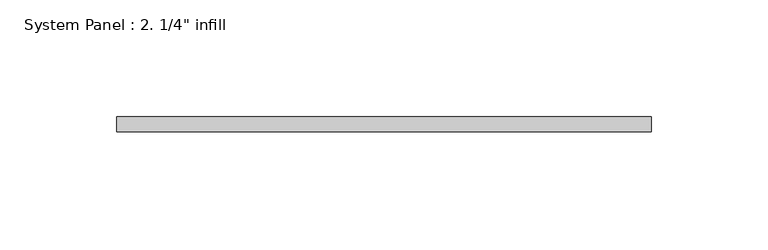
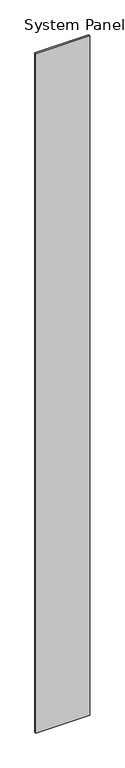
"""IFC4 building model written with IfcOpenShell, lengths in millimetres: plate geometry."""

from ifc_helpers import new_model, si_unit, origin, origin_with_axes, place, context, project, spatial, polyline, outline, extrude, source, transform, mapped, element, save


def plate_eb3019cc(model_context):
    return source(origin(), model_context, "Body", "SweptSolid", [
        extrude(outline(polyline([(114.3, -6.35), (-114.3, -6.35), (-114.3, 0.0), (114.3, 0.0), (114.3, -6.35)])), origin_with_axes(), (0.0, 0.0, 1.0), 3048.0),
    ])


if __name__ == "__main__":
    model = new_model("IFC4")
    model_context = context("Model", 3, world=origin())
    ifc_project = project(units=[si_unit("LENGTHUNIT", "METRE", prefix="MILLI")], contexts=[model_context])
    site = spatial("IfcSite", under=ifc_project)
    building = spatial("IfcBuilding", under=site)
    placement = place(None, origin())
    plate_shape = plate_eb3019cc(model_context)
    element("IfcPlate", 1, ObjectType="System Panel : 2. 1/4\" infill", at=placement, inside=building, context=model_context, shape_type="MappedRepresentation", body=[
        mapped(plate_shape, transform((0.0, 0.0, 0.0), x_axis=(1.0, 0.0, 0.0), y_axis=(0.0, 1.0, 0.0), z_axis=(0.0, 0.0, 1.0))),
    ])
    save(model, "model.ifc")
